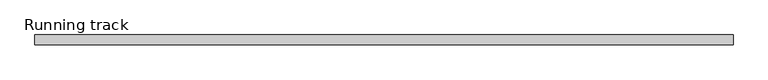
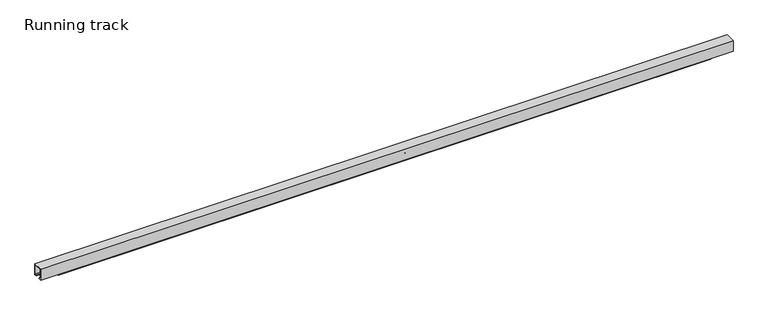
"""IFC4 building model written with IfcOpenShell, lengths in millimetres: proxy geometry, Running track."""

from ifc_helpers import new_model, si_unit, point, frame, frame_2d, origin, place, context, project, spatial, polyline, circle_curve, trimmed, segment, composite_curve, outline, extrude, faceted_brep, source, transform, mapped, element, save


def running_track_7e0bd6e0(model_context):
    return source(origin(), model_context, "Body", "SolidModel", [
        extrude(outline(composite_curve([segment(trimmed(circle_curve(frame_2d((0.0, 16.67839)), 6.3335878), [point((-6.3335878, 16.67839))], [point((6.3335878, 16.67839))], False, "CARTESIAN"), True, "CONTINUOUS"), segment(trimmed(circle_curve(frame_2d((0.0, 16.67839)), 6.3335878), [point((6.3335878, 16.67839))], [point((-6.3335878, 16.67839))], False, "CARTESIAN"), True, "CONTINUOUS")], self_intersect=False)), frame((1267.5, 0.0, 0.0), z_axis=(1.0, 0.0, 0.0), x_axis=(0.0, 1.0, 0.0)), (0.0, 0.0, 1.0), 4.0),
        faceted_brep([(1225.0, -14.5, 34.5), (1225.0, -14.5, 1.0), (1267.5, -14.5, 1.0), (1267.5, -14.5, 34.5), (1225.0, 14.5, 34.5), (1267.5, 14.5, 34.5), (1267.5, 14.5, 1.0), (1225.0, 14.5, 1.0), (1267.5, -12.5, 34.5), (1227.5764795, -12.5, 34.5), (1227.5764795, 12.531559, 34.5), (1267.5, 12.531559, 34.5), (1267.5, 12.531559, 23.3706125), (1267.5, -12.5, 23.3706125), (1227.5764795, -12.5, 23.3706125), (1227.5764795, 12.531559, 23.3706125)], [[[0, 1, 2, 3]], [[4, 5, 6, 7]], [[3, 8, 9, 10, 11, 5, 4, 0]], [[2, 6, 5, 11, 12, 13, 8, 3]], [[1, 7, 6, 2]], [[0, 4, 7, 1]], [[14, 9, 8, 13]], [[15, 12, 11, 10]], [[15, 10, 9, 14]], [[14, 13, 12, 15]]]),
        extrude(outline(polyline([(1225.0, -12.5), (1225.0, 12.531559), (1269.4975776, 12.531559), (1269.4975776, -12.5), (1225.0, -12.5)])), frame((0.0, 0.0, -2.0), z_axis=(0.0, 0.0, 1.0), x_axis=(1.0, 0.0, 0.0)), (0.0, 0.0, 1.0), 3.0),
        extrude(outline(polyline([(34.5, 1282.3890253), (30.9021554, 1228.8206261), (22.3170527, 1228.8206261), (31.2695661, 1304.167461), (31.2695661, 1306.0016212), (34.5, 1306.0016212), (34.5, 1282.3890253)])), frame((0.0, -12.5, 0.0), z_axis=(0.0, 1.0, 0.0), x_axis=(0.0, 0.0, 1.0)), (0.0, 0.0, 1.0), 25.031559),
        extrude(outline(polyline([(17.0, 38.0), (17.0, -2.0), (9.0, -2.0), (9.0, 3.0), (14.0, 3.0), (14.0, 37.0), (-14.0, 37.0), (-14.0, 3.0), (-9.0, 3.0), (-9.0, -2.0), (-17.0, -2.0), (-17.0, 38.0), (17.0, 38.0)])), frame((0.0, 0.0, 0.0), z_axis=(1.0, 0.0, 0.0), x_axis=(0.0, 1.0, 0.0)), (0.0, 0.0, 1.0), 2400.0),
        extrude(outline(polyline([(2330.5, -3.8955015), (69.5, -3.8955015), (69.5, 3.0), (2330.5, 3.0), (2330.5, -3.8955015)])), frame((0.0, 0.0, -15.0), z_axis=(0.0, 0.0, 1.0), x_axis=(1.0, 0.0, 0.0)), (0.0, 0.0, 1.0), 9.0),
    ])


if __name__ == "__main__":
    model = new_model("IFC4")
    model_context = context("Model", 3, world=origin())
    ifc_project = project(units=[si_unit("LENGTHUNIT", "METRE", prefix="MILLI")], contexts=[model_context])
    site = spatial("IfcSite", under=ifc_project)
    building = spatial("IfcBuilding", under=site)
    placement = place(None, origin())
    running_track_shape = running_track_7e0bd6e0(model_context)
    element("IfcBuildingElementProxy", 1, Name="Running track", ObjectType="Running track", at=placement, inside=building, context=model_context, shape_type="MappedRepresentation", body=[
        mapped(running_track_shape, transform((0.0, 0.0, 0.0), x_axis=(1.0, 0.0, 0.0), y_axis=(0.0, 1.0, 0.0), z_axis=(0.0, 0.0, 1.0))),
    ])
    save(model, "model.ifc")
